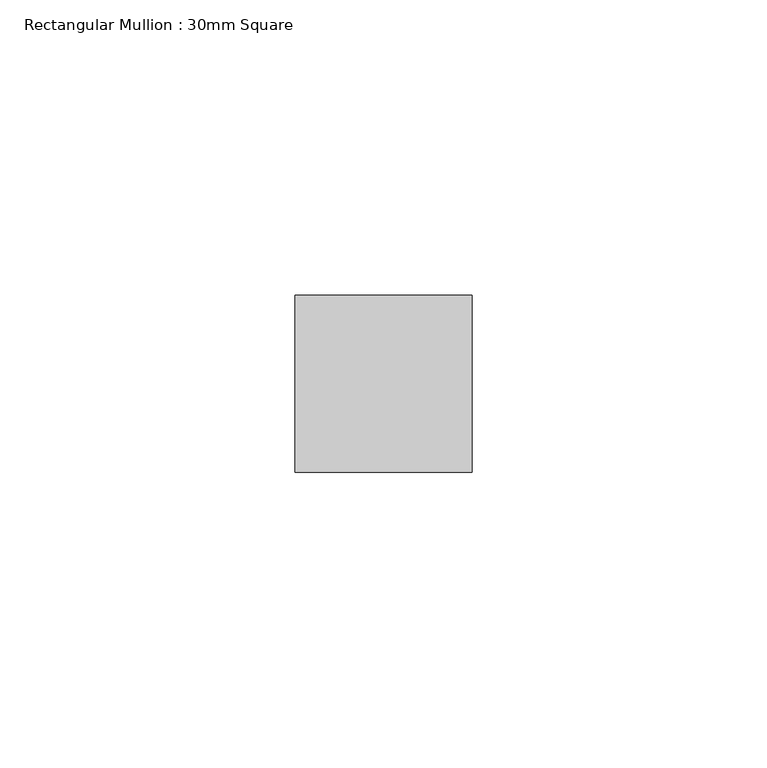
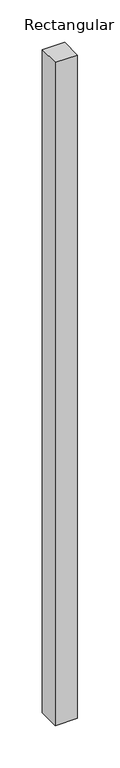
"""IFC4 building model written with IfcOpenShell, lengths in millimetres: member geometry, Rectangular Mullion : 30mm Square."""

from ifc_helpers import new_model, si_unit, frame, origin, place, context, project, spatial, polyline, outline, extrude, source, transform, mapped, element, save


def rectangular_mullion_30mm_square_f6e67c66(model_context):
    return source(origin(), model_context, "Body", "SweptSolid", [
        extrude(outline(polyline([(15.0, 15.0), (15.0, -15.0), (-15.0, -15.0), (-15.0, 15.0), (15.0, 15.0)])), frame((0.0, 0.0, -952.9609166), z_axis=(0.0, 0.0, 1.0), x_axis=(1.0, 0.0, 0.0)), (0.0, 0.0, 1.0), 952.9609166),
    ])


if __name__ == "__main__":
    model = new_model("IFC4")
    model_context = context("Model", 3, world=origin())
    ifc_project = project(units=[si_unit("LENGTHUNIT", "METRE", prefix="MILLI")], contexts=[model_context])
    site = spatial("IfcSite", under=ifc_project)
    building = spatial("IfcBuilding", under=site)
    placement = place(None, origin())
    rectangular_mullion_30mm_square_shape = rectangular_mullion_30mm_square_f6e67c66(model_context)
    element("IfcMember", 1, ObjectType="Rectangular Mullion : 30mm Square", at=placement, inside=building, context=model_context, shape_type="MappedRepresentation", body=[
        mapped(rectangular_mullion_30mm_square_shape, transform((0.0, 0.0, 0.0), x_axis=(1.0, 0.0, 0.0), y_axis=(0.0, 1.0, 0.0), z_axis=(0.0, 0.0, 1.0))),
    ])
    save(model, "model.ifc")
